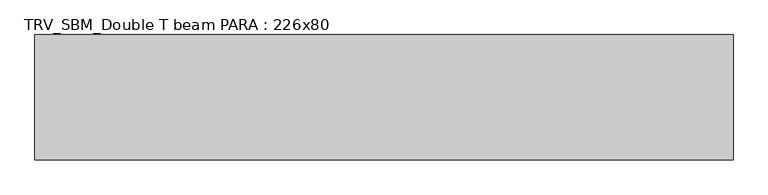
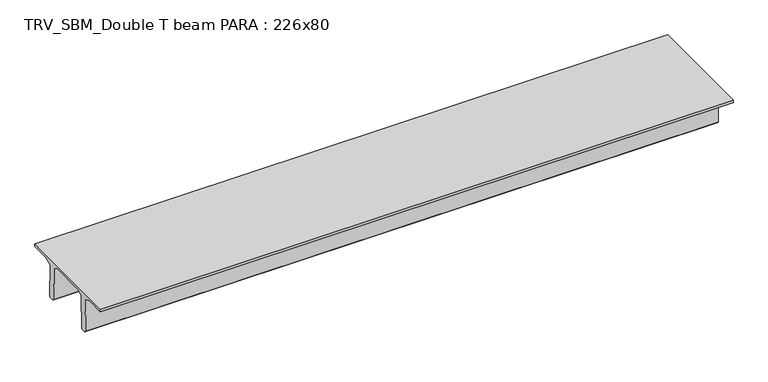
"""IFC4 building model written with IfcOpenShell, lengths in millimetres: beam geometry, TRV_SBM_Double T beam PARA : 226x80."""

import ifcopenshell
import ifcopenshell.guid

model = None  # the IFC model being written
_history = None  # IfcOwnerHistory: only IFC2X3 demands one
_inside = {}  # id of a spatial element -> (the spatial element, [elements in it])
_under = {}  # id of a project, library or spatial element -> (it, [spatial elements below it])
_declared = {}  # id of a project -> (the project, [libraries it declares])
_typed = {}  # id of a type object -> (the type object, [elements of that type])
_made_of = {}  # id of a material, layer set ... -> (it, [elements and type objects made of it])


def new_model(schema):
    """Start an empty IFC model of exactly this schema.

    Asked for "IFC4X3", IfcOpenShell would pick the latest addendum, in which some entities
    have other attributes; the version numbers below select the first issue.
    IFC2X3 requires an IfcOwnerHistory on every rooted entity: one is made here for all.
    """
    global model, _history
    if schema == "IFC4X3":
        model = ifcopenshell.file(schema_version=(4, 3, 0, 0))
    else:
        model = ifcopenshell.file(schema=schema)
    _inside.clear()
    _under.clear()
    _declared.clear()
    _typed.clear()
    _made_of.clear()
    _history = None
    if model.schema == "IFC2X3":
        org = make("IfcOrganization", Name="unknown")
        user = make(
            "IfcPersonAndOrganization",
            ThePerson=make("IfcPerson", FamilyName="unknown"),
            TheOrganization=org,
        )
        app = make(
            "IfcApplication",
            ApplicationDeveloper=org,
            Version="unknown",
            ApplicationFullName="unknown",
            ApplicationIdentifier="unknown",
        )
        _history = make(
            "IfcOwnerHistory",
            OwningUser=user,
            OwningApplication=app,
            ChangeAction="ADDED",
            CreationDate=0,
        )
    return model


def make(cls, **values):
    """One entity of the class cls with the attributes given. An attribute that is None is left unset."""
    return model.create_entity(
        cls, **{name: value for name, value in values.items() if value is not None}
    )


def rooted(cls, **values):
    """An entity with a GlobalId (a new one), such as an element, a storey or a relation."""
    return make(cls, GlobalId=ifcopenshell.guid.new(), OwnerHistory=_history, **values)


def si_unit(unit_type, name, prefix=None):
    """IfcSIUnit, for example si_unit("LENGTHUNIT", "METRE", prefix="MILLI")."""
    return make("IfcSIUnit", UnitType=unit_type, Prefix=prefix, Name=name)


def assignment(units):
    """IfcUnitAssignment: the units of a project."""
    return None if units is None else make("IfcUnitAssignment", Units=units)


def point(xyz):
    """IfcCartesianPoint."""
    return None if xyz is None else make("IfcCartesianPoint", Coordinates=xyz)


def direction(xyz):
    """IfcDirection."""
    return None if xyz is None else make("IfcDirection", DirectionRatios=xyz)


def frame(location, z_axis=None, x_axis=None):
    """IfcAxis2Placement3D, a coordinate frame: its origin and axes. An axis left out is left unset."""
    return make(
        "IfcAxis2Placement3D",
        Location=point(location),
        Axis=direction(z_axis),
        RefDirection=direction(x_axis),
    )


def origin():
    """The frame at (0, 0, 0) with its axes left unset."""
    return frame((0.0, 0.0, 0.0))


def place(relative_to, where):
    """IfcLocalPlacement: puts the frame where relative to a parent placement (None: the world)."""
    return make(
        "IfcLocalPlacement", PlacementRelTo=relative_to, RelativePlacement=where
    )


def context(
    kind, dimensions, precision=None, world=None, true_north=None, identifier=None
):
    """IfcGeometricRepresentationContext, for example the 3D "Model" context."""
    return make(
        "IfcGeometricRepresentationContext",
        ContextIdentifier=identifier,
        ContextType=kind,
        CoordinateSpaceDimension=dimensions,
        Precision=precision,
        WorldCoordinateSystem=world,
        TrueNorth=true_north,
    )


def project(units=None, contexts=None):
    """IfcProject with its units and contexts."""
    return rooted(
        "IfcProject",
        Name="project",
        RepresentationContexts=contexts,
        UnitsInContext=assignment(units),
    )


def spatial(cls, under=None, at=None, **own):
    """A site, building, storey or space (cls), placed at a placement, below another one or the project."""
    s = rooted(cls, ObjectPlacement=at, **own)
    if under is not None:
        _under.setdefault(under.id(), (under, []))[1].append(s)
    return s


def polyline(points):
    """IfcPolyline through the points."""
    return make("IfcPolyline", Points=[point(p) for p in points])


def outline(outer, holes=None, kind="AREA"):
    """IfcArbitraryClosedProfileDef: a profile drawn as a closed curve; with holes, ...WithVoids."""
    if holes is None:
        return make("IfcArbitraryClosedProfileDef", ProfileType=kind, OuterCurve=outer)
    return make(
        "IfcArbitraryProfileDefWithVoids",
        ProfileType=kind,
        OuterCurve=outer,
        InnerCurves=holes,
    )


def extrude(swept, where, along, depth):
    """IfcExtrudedAreaSolid: the profile swept, set in the frame where, extruded along a direction by depth."""
    return make(
        "IfcExtrudedAreaSolid",
        SweptArea=swept,
        Position=where,
        ExtrudedDirection=direction(along),
        Depth=depth,
    )


def shape(context_of_items, identifier, shape_type, items):
    """IfcShapeRepresentation: the items that make up one representation, for example the "Body"."""
    return make(
        "IfcShapeRepresentation",
        ContextOfItems=context_of_items,
        RepresentationIdentifier=identifier,
        RepresentationType=shape_type,
        Items=items,
    )


def source(mapping_origin, context_of_items, identifier, shape_type, items):
    """IfcRepresentationMap: a shape defined once, which mapped items show again and again."""
    return make(
        "IfcRepresentationMap",
        MappingOrigin=mapping_origin,
        MappedRepresentation=shape(context_of_items, identifier, shape_type, items),
    )


def transform(
    local_origin,
    x_axis=None,
    y_axis=None,
    z_axis=None,
    scale=None,
    scale2=None,
    scale3=None,
    uniform=True,
):
    """IfcCartesianTransformationOperator3D, or its non-uniform kind. x_axis, y_axis, z_axis: its Axis1, 2, 3."""
    if uniform:
        return make(
            "IfcCartesianTransformationOperator3D",
            Axis1=direction(x_axis),
            Axis2=direction(y_axis),
            LocalOrigin=point(local_origin),
            Scale=scale,
            Axis3=direction(z_axis),
        )
    return make(
        "IfcCartesianTransformationOperator3DnonUniform",
        Axis1=direction(x_axis),
        Axis2=direction(y_axis),
        LocalOrigin=point(local_origin),
        Scale=scale,
        Axis3=direction(z_axis),
        Scale2=scale2,
        Scale3=scale3,
    )


def mapped(mapping_source, mapping_target):
    """IfcMappedItem: shows the shape of a source again, moved by a transform."""
    return make(
        "IfcMappedItem", MappingSource=mapping_source, MappingTarget=mapping_target
    )


def made_of(thing, what):
    """Note that an element or type object is made of a material, layer set ...; save() writes the relation."""
    if what is not None:
        _made_of.setdefault(what.id(), (what, []))[1].append(thing)
    return thing


def element(
    cls,
    number,
    at=None,
    inside=None,
    cuts=None,
    type_object=None,
    material=None,
    context=None,
    identifier="Body",
    shape_type=None,
    held_by="IfcProductDefinitionShape",
    body=None,
    shapes=None,
    **own,
):
    """One element of the class cls, such as IfcWall. Its Tag is "e" and its number.

    at: its placement. inside: the storey or other place that contains it. cuts: it is an
    opening in that element (IfcRelVoidsElement). A single representation is given by context,
    identifier, shape_type and body (its items); several are given by shapes. held_by: the class
    of the entity that holds the representations. save() writes the other relations.
    """
    e = rooted(cls, Tag="e%d" % number, ObjectPlacement=at, **own)
    if body is not None:
        shapes = [shape(context, identifier, shape_type, body)]
    if shapes is not None:
        e.Representation = make(held_by, Representations=shapes)
    if inside is not None:
        _inside.setdefault(inside.id(), (inside, []))[1].append(e)
    if cuts is not None:
        rooted(
            "IfcRelVoidsElement", RelatingBuildingElement=cuts, RelatedOpeningElement=e
        )
    if type_object is not None:
        _typed.setdefault(type_object.id(), (type_object, []))[1].append(e)
    return made_of(e, material)


def aggregate(whole, parts):
    """IfcRelAggregates: a whole, such as a stair, and the parts it consists of."""
    return rooted("IfcRelAggregates", RelatingObject=whole, RelatedObjects=parts)


def save(model, path):
    """Write the relations noted so far, then the file.

    IfcRelAggregates (storeys below a building ...), IfcRelContainedInSpatialStructure (elements
    in a storey), IfcRelDefinesByType, IfcRelAssociatesMaterial and IfcRelDeclares: one each for
    every whole, place, type object, material and project.
    """
    for whole, parts in _under.values():
        aggregate(whole, parts)
    for where, things in _inside.values():
        rooted(
            "IfcRelContainedInSpatialStructure",
            RelatedElements=things,
            RelatingStructure=where,
        )
    for kind, things in _typed.values():
        rooted("IfcRelDefinesByType", RelatedObjects=things, RelatingType=kind)
    for what, things in _made_of.values():
        rooted("IfcRelAssociatesMaterial", RelatedObjects=things, RelatingMaterial=what)
    for by, libraries in _declared.values():
        rooted("IfcRelDeclares", RelatingContext=by, RelatedDefinitions=libraries)
    model.write(path)


def trv_sbm_double_t_beam_para_226x80_f383a656(model_context):
    return source(origin(), model_context, "Body", "SweptSolid", [
        extrude(outline(polyline([(352.1399239, 205.988519), (-382.1399239, 205.988519), (-485.0, 144.18395), (-501.9262559, -520.5206011), (-521.4056548, -540.0), (-611.4056548, -540.0), (-631.9887932, -520.5206011), (-615.2025683, 140.6523122), (-776.9153545, 205.988519), (-1145.0, 205.988519), (-1145.0, 260.0), (1115.0, 260.0), (1115.0, 205.988519), (746.9153545, 205.988519), (585.2025683, 140.6523122), (601.9887932, -520.5206011), (581.4056548, -540.0), (491.4056548, -540.0), (471.9262559, -520.5206011), (455.0, 144.18395), (352.1399239, 205.988519)])), frame((-6320.5, 0.0, 0.0), z_axis=(1.0, 0.0, 0.0), x_axis=(0.0, 1.0, 0.0)), (0.0, 0.0, 1.0), 12596.9062685),
    ])


if __name__ == "__main__":
    model = new_model("IFC4")
    model_context = context("Model", 3, world=origin())
    ifc_project = project(units=[si_unit("LENGTHUNIT", "METRE", prefix="MILLI")], contexts=[model_context])
    site = spatial("IfcSite", under=ifc_project)
    building = spatial("IfcBuilding", under=site)
    placement = place(None, origin())
    trv_sbm_double_t_beam_para_226x80_shape = trv_sbm_double_t_beam_para_226x80_f383a656(model_context)
    element("IfcBeam", 1, ObjectType="TRV_SBM_Double T beam PARA : 226x80", at=placement, inside=building, context=model_context, shape_type="MappedRepresentation", body=[
        mapped(trv_sbm_double_t_beam_para_226x80_shape, transform((0.0, 0.0, 0.0), x_axis=(1.0, 0.0, 0.0), y_axis=(0.0, 1.0, 0.0), z_axis=(0.0, 0.0, 1.0))),
    ])
    save(model, "model.ifc")
